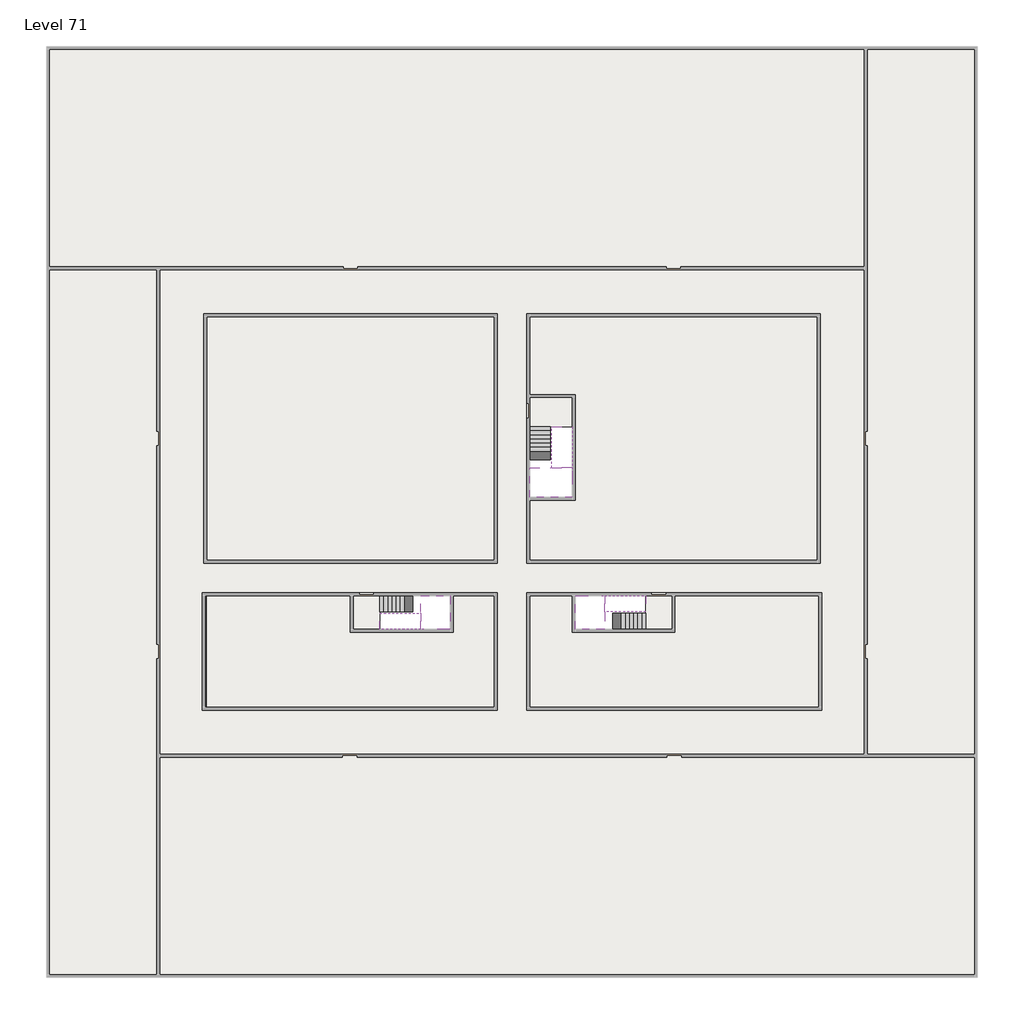
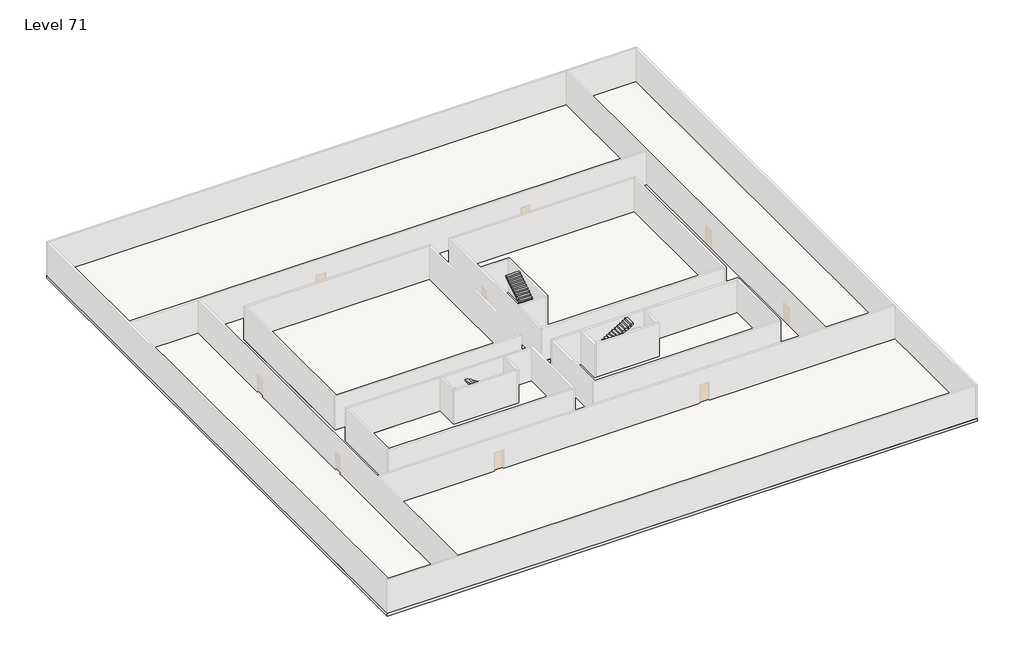
# One storey, part 2 of 2: 6 slabs, 6 stair flights.
"""IFC4 building model written with IfcOpenShell, lengths in millimetres."""

from ifc_helpers import new_model, si_unit, frame, origin, place, context, project, spatial, polyline, outline, extrude, faceted_brep, element, save

model = new_model("IFC4")

# Units and contexts
model_context = context("Model", 3, world=origin())
ifc_project = project(units=[si_unit("LENGTHUNIT", "METRE", prefix="MILLI")], contexts=[model_context])

# Site, building, storey
site = spatial("IfcSite", under=ifc_project)
building = spatial("IfcBuilding", under=site)
storey = spatial("IfcBuildingStorey", under=building, Name="Level 71", Elevation=266000.0)

# Slabs
placement = place(None, origin())
element("IfcSlab", 1, at=placement, inside=storey, context=model_context, shape_type="SweptSolid", body=[
    extrude(outline(polyline([(55890.1058784, -5518.09644), (55890.1058784, -68918.09644), (-7509.8941216, -68918.09644), (-7509.8941216, -5518.09644), (55890.1058784, -5518.09644)]), holes=[polyline([(23190.1058784, -23718.09644), (3190.1058784, -23718.09644), (3190.1058784, -40718.09644), (23190.1058784, -40718.09644), (23190.1058784, -23718.09644)]), polyline([(45190.1058784, -23718.09644), (25190.1058784, -23718.09644), (25190.1058784, -40718.09644), (45190.1058784, -40718.09644), (45190.1058784, -23718.09644)]), polyline([(23190.1058784, -50718.09644), (23190.1058784, -42718.09644), (3390.1058784, -42718.09644), (3390.1058784, -50718.09644), (23190.1058784, -50718.09644)]), polyline([(25190.1058784, -50718.09644), (45190.1058784, -50718.09644), (45190.1058784, -42718.09644), (25190.1058784, -42718.09644), (25190.1058784, -50718.09644)])]), frame((0.0, 0.0, 265700.0), z_axis=(0.0, 0.0, 1.0), x_axis=(1.0, 0.0, 0.0)), (0.0, 0.0, 1.0), 300.0),
])
element("IfcSlab", 2, at=placement, inside=storey, context=model_context, shape_type="Brep", body=[
    faceted_brep([(26790.1058784, -34218.09644, 267900.0), (25390.1058784, -34218.09644, 267900.0), (25390.1058784, -34297.4828763, 267900.0), (25390.1058784, -36218.09644, 267900.0), (28290.1058784, -36218.09644, 267900.0), (28290.1058784, -34418.7100038, 267900.0), (28290.1058784, -34218.09644, 267900.0), (26890.1058784, -34218.09644, 267900.0), (26790.1058784, -34218.09644, 267600.0), (26790.1058784, -34218.09644, 267551.0278478), (25390.1058784, -34218.09644, 267551.0278478), (25390.1058784, -34218.09644, 267727.2727273), (25390.1058784, -34297.4828763, 267600.0), (25390.1058784, -36218.09644, 267600.0), (28290.1058784, -36218.09644, 267600.0), (28290.1058784, -34418.7100038, 267600.0), (28290.1058784, -34218.09644, 267723.7551205), (26890.1058784, -34218.09644, 267723.7551205), (26890.1058784, -34218.09644, 267600.0), (26890.1058784, -34418.7100038, 267600.0), (26790.1058784, -34297.4828763, 267600.0)], [[[0, 1, 2, 3, 4, 5, 6, 7]], [[1, 0, 8, 9, 10, 11]], [[1, 11, 10, 12, 13, 3, 2]], [[4, 3, 13, 14]], [[4, 14, 15, 16, 6, 5]], [[7, 6, 16, 17]], [[0, 7, 17, 18, 8]], [[18, 19, 15, 14, 13, 12, 20, 8]], [[19, 18, 17]], [[20, 12, 10, 9]], [[8, 20, 9]], [[15, 19, 17, 16]]]),
])
element("IfcSlab", 3, at=placement, inside=storey, context=model_context, shape_type="SweptSolid", body=[
    extrude(outline(polyline([(22990.1058784, -23918.09644), (22990.1058784, -40518.09644), (3390.1058784, -40518.09644), (3390.1058784, -23918.09644), (22990.1058784, -23918.09644)])), frame((0.0, 0.0, 265700.0), z_axis=(0.0, 0.0, 1.0), x_axis=(1.0, 0.0, 0.0)), (0.0, 0.0, 1.0), 300.0),
    extrude(outline(polyline([(44990.1058784, -23918.09644), (44990.1058784, -40518.09644), (25390.1058784, -40518.09644), (25390.1058784, -36418.09644), (28490.1058784, -36418.09644), (28490.1058784, -29218.09644), (25390.1058784, -29218.09644), (25390.1058784, -23918.09644), (44990.1058784, -23918.09644)])), frame((0.0, 0.0, 265700.0), z_axis=(0.0, 0.0, 1.0), x_axis=(1.0, 0.0, 0.0)), (0.0, 0.0, 1.0), 300.0),
    extrude(outline(polyline([(22990.1058784, -42918.09644), (22990.1058784, -50518.09644), (3390.1058784, -50518.09644), (3390.1058784, -42918.09644), (13190.1058784, -42918.09644), (13190.1058784, -45418.09644), (20190.1058784, -45418.09644), (20190.1058784, -42918.09644), (22990.1058784, -42918.09644)])), frame((0.0, 0.0, 265700.0), z_axis=(0.0, 0.0, 1.0), x_axis=(1.0, 0.0, 0.0)), (0.0, 0.0, 1.0), 300.0),
    extrude(outline(polyline([(28290.1058784, -42918.09644), (28290.1058784, -45418.09644), (35290.1058784, -45418.09644), (35290.1058784, -42918.09644), (45090.1058784, -42918.09644), (45090.1058784, -50518.09644), (25390.1058784, -50518.09644), (25390.1058784, -42918.09644), (28290.1058784, -42918.09644)])), frame((0.0, 0.0, 265700.0), z_axis=(0.0, 0.0, 1.0), x_axis=(1.0, 0.0, 0.0)), (0.0, 0.0, 1.0), 300.0),
])
element("IfcSlab", 4, at=placement, inside=storey, context=model_context, shape_type="Brep", body=[
    faceted_brep([(30490.1058784, -45218.09644, 267900.0), (30490.1058784, -44118.09644, 267900.0), (30490.1058784, -44018.09644, 267900.0), (30490.1058784, -42918.09644, 267900.0), (30289.4923146, -42918.09644, 267900.0), (28490.1058784, -42918.09644, 267900.0), (28490.1058784, -45218.09644, 267900.0), (30410.7194421, -45218.09644, 267900.0), (30490.1058784, -45218.09644, 267727.2727273), (30490.1058784, -45218.09644, 267551.0278478), (30490.1058784, -44118.09644, 267551.0278478), (30490.1058784, -44118.09644, 267600.0), (30490.1058784, -44018.09644, 267600.0), (30490.1058784, -44018.09644, 267723.7551205), (30490.1058784, -42918.09644, 267723.7551205), (30289.4923146, -42918.09644, 267600.0), (28490.1058784, -42918.09644, 267600.0), (28490.1058784, -45218.09644, 267600.0), (30410.7194421, -45218.09644, 267600.0), (30289.4923146, -44018.09644, 267600.0), (30410.7194421, -44118.09644, 267600.0)], [[[0, 1, 2, 3, 4, 5, 6, 7]], [[1, 0, 8, 9, 10, 11]], [[2, 1, 11, 12, 13]], [[3, 2, 13, 14]], [[3, 14, 15, 16, 5, 4]], [[6, 5, 16, 17]], [[9, 8, 0, 7, 6, 17, 18]], [[19, 12, 11, 20, 18, 17, 16, 15]], [[12, 19, 13]], [[18, 20, 10, 9]], [[20, 11, 10]], [[19, 15, 14, 13]]]),
])
element("IfcSlab", 5, at=placement, inside=storey, context=model_context, shape_type="Brep", body=[
    faceted_brep([(17990.1058784, -42918.09644, 267900.0), (17990.1058784, -44018.09644, 267900.0), (17990.1058784, -44118.09644, 267900.0), (17990.1058784, -45218.09644, 267900.0), (18190.7194421, -45218.09644, 267900.0), (19990.1058784, -45218.09644, 267900.0), (19990.1058784, -42918.09644, 267900.0), (18069.4923146, -42918.09644, 267900.0), (17990.1058784, -42918.09644, 267727.2727273), (17990.1058784, -42918.09644, 267551.0278478), (17990.1058784, -44018.09644, 267551.0278478), (17990.1058784, -44018.09644, 267600.0), (17990.1058784, -44118.09644, 267600.0), (17990.1058784, -44118.09644, 267723.7551205), (17990.1058784, -45218.09644, 267723.7551205), (18190.7194421, -45218.09644, 267600.0), (19990.1058784, -45218.09644, 267600.0), (19990.1058784, -42918.09644, 267600.0), (18069.4923146, -42918.09644, 267600.0), (18190.7194421, -44118.09644, 267600.0), (18069.4923146, -44018.09644, 267600.0)], [[[0, 1, 2, 3, 4, 5, 6, 7]], [[1, 0, 8, 9, 10, 11]], [[2, 1, 11, 12, 13]], [[3, 2, 13, 14]], [[3, 14, 15, 16, 5, 4]], [[6, 5, 16, 17]], [[9, 8, 0, 7, 6, 17, 18]], [[19, 12, 11, 20, 18, 17, 16, 15]], [[12, 19, 13]], [[18, 20, 10, 9]], [[20, 11, 10]], [[19, 15, 14, 13]]]),
])
element("IfcSlab", 6, at=placement, inside=storey, context=model_context, shape_type="SweptSolid", body=[
    extrude(outline(polyline([(25190.1058784, -29418.09644), (28290.1058784, -29418.09644), (28290.1058784, -31418.09644), (25190.1058784, -31418.09644), (25190.1058784, -29418.09644)])), frame((0.0, 0.0, 265700.0), z_axis=(0.0, 0.0, 1.0), x_axis=(1.0, 0.0, 0.0)), (0.0, 0.0, 1.0), 300.0),
    extrude(outline(polyline([(15190.1058784, -45218.09644), (13390.1058784, -45218.09644), (13390.1058784, -42718.09644), (15190.1058784, -42718.09644), (15190.1058784, -45218.09644)])), frame((0.0, 0.0, 265700.0), z_axis=(0.0, 0.0, 1.0), x_axis=(1.0, 0.0, 0.0)), (0.0, 0.0, 1.0), 300.0),
    extrude(outline(polyline([(35090.1058784, -45218.09644), (33290.1058784, -45218.09644), (33290.1058784, -42718.09644), (35090.1058784, -42718.09644), (35090.1058784, -45218.09644)])), frame((0.0, 0.0, 265700.0), z_axis=(0.0, 0.0, 1.0), x_axis=(1.0, 0.0, 0.0)), (0.0, 0.0, 1.0), 300.0),
])

# Stair flights
element("IfcStairFlight", 7, at=placement, inside=storey, context=model_context, shape_type="Brep", body=[
    faceted_brep([(26790.1058784, -31698.09644, 266172.7272727), (26790.1058784, -31418.09644, 266172.7272727), (25390.1058784, -31418.09644, 266172.7272727), (25390.1058784, -31698.09644, 266172.7272727), (26790.1058784, -31698.09644, 266000.0), (26790.1058784, -31418.09644, 266000.0), (25390.1058784, -31418.09644, 266000.0), (25390.1058784, -31698.09644, 266000.0), (26790.1058784, -31978.09644, 266345.4545455), (26790.1058784, -31698.09644, 266345.4545455), (25390.1058784, -31698.09644, 266345.4545455), (25390.1058784, -31978.09644, 266345.4545455), (26790.1058784, -31978.09644, 266169.209666), (26790.1058784, -31703.7986657, 266000.0), (25390.1058784, -31703.7986657, 266000.0), (25390.1058784, -31978.09644, 266169.209666), (26790.1058784, -32258.09644, 266518.1818182), (26790.1058784, -31978.09644, 266518.1818182), (25390.1058784, -31978.09644, 266518.1818182), (25390.1058784, -32258.09644, 266518.1818182), (26790.1058784, -32258.09644, 266341.9369387), (25390.1058784, -32258.09644, 266341.9369387), (26790.1058784, -32538.09644, 266690.9090909), (26790.1058784, -32258.09644, 266690.9090909), (25390.1058784, -32258.09644, 266690.9090909), (25390.1058784, -32538.09644, 266690.9090909), (26790.1058784, -32538.09644, 266514.6642114), (25390.1058784, -32538.09644, 266514.6642114), (26790.1058784, -32818.09644, 266863.6363636), (26790.1058784, -32538.09644, 266863.6363636), (25390.1058784, -32538.09644, 266863.6363636), (25390.1058784, -32818.09644, 266863.6363636), (26790.1058784, -32818.09644, 266687.3914841), (25390.1058784, -32818.09644, 266687.3914841), (26790.1058784, -33098.09644, 267036.3636364), (26790.1058784, -32818.09644, 267036.3636364), (25390.1058784, -32818.09644, 267036.3636364), (25390.1058784, -33098.09644, 267036.3636364), (26790.1058784, -33098.09644, 266860.1187569), (25390.1058784, -33098.09644, 266860.1187569), (26790.1058784, -33378.09644, 267209.0909091), (26790.1058784, -33098.09644, 267209.0909091), (25390.1058784, -33098.09644, 267209.0909091), (25390.1058784, -33378.09644, 267209.0909091), (26790.1058784, -33378.09644, 267032.8460296), (25390.1058784, -33378.09644, 267032.8460296), (26790.1058784, -33658.09644, 267381.8181818), (26790.1058784, -33378.09644, 267381.8181818), (25390.1058784, -33378.09644, 267381.8181818), (25390.1058784, -33658.09644, 267381.8181818), (26790.1058784, -33658.09644, 267205.5733023), (25390.1058784, -33658.09644, 267205.5733023), (26790.1058784, -33938.09644, 267554.5454545), (26790.1058784, -33658.09644, 267554.5454545), (25390.1058784, -33658.09644, 267554.5454545), (25390.1058784, -33938.09644, 267554.5454545), (26790.1058784, -33938.09644, 267378.3005751), (25390.1058784, -33938.09644, 267378.3005751), (26790.1058784, -34218.09644, 267727.2727273), (26790.1058784, -33938.09644, 267727.2727273), (25390.1058784, -33938.09644, 267727.2727273), (25390.1058784, -34218.09644, 267727.2727273), (26790.1058784, -34218.09644, 267600.0), (26790.1058784, -34218.09644, 267551.0278478), (25390.1058784, -34218.09644, 267551.0278478)], [[[0, 1, 2, 3]], [[1, 0, 4, 5]], [[2, 1, 5, 6]], [[3, 2, 6, 7]], [[8, 9, 10, 11]], [[4, 0, 9, 8, 12, 13]], [[0, 3, 10, 9]], [[3, 7, 14, 15, 11, 10]], [[16, 17, 18, 19]], [[17, 16, 20, 12, 8]], [[8, 11, 18, 17]], [[19, 18, 11, 15, 21]], [[22, 23, 24, 25]], [[23, 22, 26, 20, 16]], [[16, 19, 24, 23]], [[25, 24, 19, 21, 27]], [[28, 29, 30, 31]], [[29, 28, 32, 26, 22]], [[22, 25, 30, 29]], [[31, 30, 25, 27, 33]], [[34, 35, 36, 37]], [[35, 34, 38, 32, 28]], [[28, 31, 36, 35]], [[37, 36, 31, 33, 39]], [[40, 41, 42, 43]], [[41, 40, 44, 38, 34]], [[34, 37, 42, 41]], [[43, 42, 37, 39, 45]], [[46, 47, 48, 49]], [[47, 46, 50, 44, 40]], [[40, 43, 48, 47]], [[49, 48, 43, 45, 51]], [[52, 53, 54, 55]], [[53, 52, 56, 50, 46]], [[46, 49, 54, 53]], [[55, 54, 49, 51, 57]], [[58, 59, 60, 61]], [[59, 58, 62, 63, 56, 52]], [[52, 55, 60, 59]], [[61, 60, 55, 57, 64]], [[58, 61, 64, 63, 62]], [[5, 4, 13, 14, 7, 6]], [[14, 13, 12, 20, 26, 32, 38, 44, 50, 56, 63, 64, 57, 51, 45, 39, 33, 27, 21, 15]]]),
])
element("IfcStairFlight", 8, at=placement, inside=storey, context=model_context, shape_type="Brep", body=[
    faceted_brep([(26890.1058784, -33938.09644, 268072.7272727), (26890.1058784, -34218.09644, 268072.7272727), (28290.1058784, -34218.09644, 268072.7272727), (28290.1058784, -33938.09644, 268072.7272727), (26890.1058784, -33938.09644, 267896.4823932), (26890.1058784, -34218.09644, 267723.7551205), (28290.1058784, -34218.09644, 267723.7551205), (28290.1058784, -34218.09644, 267900.0), (28290.1058784, -33938.09644, 267896.4823932), (26890.1058784, -33658.09644, 268245.4545455), (26890.1058784, -33938.09644, 268245.4545455), (28290.1058784, -33938.09644, 268245.4545455), (28290.1058784, -33658.09644, 268245.4545455), (26890.1058784, -33658.09644, 268069.209666), (28290.1058784, -33658.09644, 268069.209666), (26890.1058784, -33378.09644, 268418.1818182), (26890.1058784, -33658.09644, 268418.1818182), (28290.1058784, -33658.09644, 268418.1818182), (28290.1058784, -33378.09644, 268418.1818182), (26890.1058784, -33378.09644, 268241.9369387), (28290.1058784, -33378.09644, 268241.9369387), (26890.1058784, -33098.09644, 268590.9090909), (26890.1058784, -33378.09644, 268590.9090909), (28290.1058784, -33378.09644, 268590.9090909), (28290.1058784, -33098.09644, 268590.9090909), (26890.1058784, -33098.09644, 268414.6642114), (28290.1058784, -33098.09644, 268414.6642114), (26890.1058784, -32818.09644, 268763.6363636), (26890.1058784, -33098.09644, 268763.6363636), (28290.1058784, -33098.09644, 268763.6363636), (28290.1058784, -32818.09644, 268763.6363636), (26890.1058784, -32818.09644, 268587.3914841), (28290.1058784, -32818.09644, 268587.3914841), (26890.1058784, -32538.09644, 268936.3636364), (26890.1058784, -32818.09644, 268936.3636364), (28290.1058784, -32818.09644, 268936.3636364), (28290.1058784, -32538.09644, 268936.3636364), (26890.1058784, -32538.09644, 268760.1187569), (28290.1058784, -32538.09644, 268760.1187569), (26890.1058784, -32258.09644, 269109.0909091), (26890.1058784, -32538.09644, 269109.0909091), (28290.1058784, -32538.09644, 269109.0909091), (28290.1058784, -32258.09644, 269109.0909091), (26890.1058784, -32258.09644, 268932.8460296), (28290.1058784, -32258.09644, 268932.8460296), (26890.1058784, -31978.09644, 269281.8181818), (26890.1058784, -32258.09644, 269281.8181818), (28290.1058784, -32258.09644, 269281.8181818), (28290.1058784, -31978.09644, 269281.8181818), (26890.1058784, -31978.09644, 269105.5733023), (28290.1058784, -31978.09644, 269105.5733023), (26890.1058784, -31698.09644, 269454.5454545), (26890.1058784, -31978.09644, 269454.5454545), (28290.1058784, -31978.09644, 269454.5454545), (28290.1058784, -31698.09644, 269454.5454545), (26890.1058784, -31698.09644, 269278.3005751), (28290.1058784, -31698.09644, 269278.3005751), (26890.1058784, -31418.09644, 269627.2727273), (26890.1058784, -31698.09644, 269627.2727273), (28290.1058784, -31698.09644, 269627.2727273), (28290.1058784, -31418.09644, 269627.2727273), (26890.1058784, -31418.09644, 269451.0278478), (28290.1058784, -31418.09644, 269451.0278478)], [[[0, 1, 2, 3]], [[1, 0, 4, 5]], [[2, 1, 5, 6, 7]], [[3, 2, 7, 6, 8]], [[9, 10, 11, 12]], [[10, 9, 13, 4, 0]], [[11, 10, 0, 3]], [[12, 11, 3, 8, 14]], [[15, 16, 17, 18]], [[16, 15, 19, 13, 9]], [[17, 16, 9, 12]], [[18, 17, 12, 14, 20]], [[21, 22, 23, 24]], [[22, 21, 25, 19, 15]], [[23, 22, 15, 18]], [[24, 23, 18, 20, 26]], [[27, 28, 29, 30]], [[28, 27, 31, 25, 21]], [[29, 28, 21, 24]], [[30, 29, 24, 26, 32]], [[33, 34, 35, 36]], [[34, 33, 37, 31, 27]], [[35, 34, 27, 30]], [[36, 35, 30, 32, 38]], [[39, 40, 41, 42]], [[40, 39, 43, 37, 33]], [[41, 40, 33, 36]], [[42, 41, 36, 38, 44]], [[45, 46, 47, 48]], [[46, 45, 49, 43, 39]], [[47, 46, 39, 42]], [[48, 47, 42, 44, 50]], [[51, 52, 53, 54]], [[52, 51, 55, 49, 45]], [[53, 52, 45, 48]], [[54, 53, 48, 50, 56]], [[57, 58, 59, 60]], [[58, 57, 61, 55, 51]], [[59, 58, 51, 54]], [[60, 59, 54, 56, 62]], [[57, 60, 62, 61]], [[5, 4, 13, 19, 25, 31, 37, 43, 49, 55, 61, 62, 56, 50, 44, 38, 32, 26, 20, 14, 8, 6]]]),
])
element("IfcStairFlight", 9, at=placement, inside=storey, context=model_context, shape_type="Brep", body=[
    faceted_brep([(33010.1058784, -45218.09644, 266172.7272727), (33290.1058784, -45218.09644, 266172.7272727), (33290.1058784, -44118.09644, 266172.7272727), (33010.1058784, -44118.09644, 266172.7272727), (33010.1058784, -45218.09644, 266000.0), (33290.1058784, -45218.09644, 266000.0), (33290.1058784, -44118.09644, 266000.0), (33010.1058784, -44118.09644, 266000.0), (32730.1058784, -45218.09644, 266345.4545455), (33010.1058784, -45218.09644, 266345.4545455), (33010.1058784, -44118.09644, 266345.4545455), (32730.1058784, -44118.09644, 266345.4545455), (32730.1058784, -45218.09644, 266169.209666), (33004.4036527, -45218.09644, 266000.0), (33004.4036527, -44118.09644, 266000.0), (32730.1058784, -44118.09644, 266169.209666), (32450.1058784, -45218.09644, 266518.1818182), (32730.1058784, -45218.09644, 266518.1818182), (32730.1058784, -44118.09644, 266518.1818182), (32450.1058784, -44118.09644, 266518.1818182), (32450.1058784, -45218.09644, 266341.9369387), (32450.1058784, -44118.09644, 266341.9369387), (32170.1058784, -45218.09644, 266690.9090909), (32450.1058784, -45218.09644, 266690.9090909), (32450.1058784, -44118.09644, 266690.9090909), (32170.1058784, -44118.09644, 266690.9090909), (32170.1058784, -45218.09644, 266514.6642114), (32170.1058784, -44118.09644, 266514.6642114), (31890.1058784, -45218.09644, 266863.6363636), (32170.1058784, -45218.09644, 266863.6363636), (32170.1058784, -44118.09644, 266863.6363636), (31890.1058784, -44118.09644, 266863.6363636), (31890.1058784, -45218.09644, 266687.3914841), (31890.1058784, -44118.09644, 266687.3914841), (31610.1058784, -45218.09644, 267036.3636364), (31890.1058784, -45218.09644, 267036.3636364), (31890.1058784, -44118.09644, 267036.3636364), (31610.1058784, -44118.09644, 267036.3636364), (31610.1058784, -45218.09644, 266860.1187569), (31610.1058784, -44118.09644, 266860.1187569), (31330.1058784, -45218.09644, 267209.0909091), (31610.1058784, -45218.09644, 267209.0909091), (31610.1058784, -44118.09644, 267209.0909091), (31330.1058784, -44118.09644, 267209.0909091), (31330.1058784, -45218.09644, 267032.8460296), (31330.1058784, -44118.09644, 267032.8460296), (31050.1058784, -45218.09644, 267381.8181818), (31330.1058784, -45218.09644, 267381.8181818), (31330.1058784, -44118.09644, 267381.8181818), (31050.1058784, -44118.09644, 267381.8181818), (31050.1058784, -45218.09644, 267205.5733023), (31050.1058784, -44118.09644, 267205.5733023), (30770.1058784, -45218.09644, 267554.5454545), (31050.1058784, -45218.09644, 267554.5454545), (31050.1058784, -44118.09644, 267554.5454545), (30770.1058784, -44118.09644, 267554.5454545), (30770.1058784, -45218.09644, 267378.3005751), (30770.1058784, -44118.09644, 267378.3005751), (30490.1058784, -45218.09644, 267727.2727273), (30770.1058784, -45218.09644, 267727.2727273), (30770.1058784, -44118.09644, 267727.2727273), (30490.1058784, -44118.09644, 267727.2727273), (30490.1058784, -45218.09644, 267551.0278478), (30490.1058784, -44118.09644, 267551.0278478), (30490.1058784, -44118.09644, 267600.0)], [[[0, 1, 2, 3]], [[1, 0, 4, 5]], [[2, 1, 5, 6]], [[3, 2, 6, 7]], [[8, 9, 10, 11]], [[4, 0, 9, 8, 12, 13]], [[0, 3, 10, 9]], [[3, 7, 14, 15, 11, 10]], [[16, 17, 18, 19]], [[17, 16, 20, 12, 8]], [[8, 11, 18, 17]], [[19, 18, 11, 15, 21]], [[22, 23, 24, 25]], [[23, 22, 26, 20, 16]], [[16, 19, 24, 23]], [[25, 24, 19, 21, 27]], [[28, 29, 30, 31]], [[29, 28, 32, 26, 22]], [[22, 25, 30, 29]], [[31, 30, 25, 27, 33]], [[34, 35, 36, 37]], [[35, 34, 38, 32, 28]], [[28, 31, 36, 35]], [[37, 36, 31, 33, 39]], [[40, 41, 42, 43]], [[41, 40, 44, 38, 34]], [[34, 37, 42, 41]], [[43, 42, 37, 39, 45]], [[46, 47, 48, 49]], [[47, 46, 50, 44, 40]], [[40, 43, 48, 47]], [[49, 48, 43, 45, 51]], [[52, 53, 54, 55]], [[53, 52, 56, 50, 46]], [[46, 49, 54, 53]], [[55, 54, 49, 51, 57]], [[58, 59, 60, 61]], [[59, 58, 62, 56, 52]], [[52, 55, 60, 59]], [[61, 60, 55, 57, 63, 64]], [[58, 61, 64, 63, 62]], [[5, 4, 13, 14, 7, 6]], [[14, 13, 12, 20, 26, 32, 38, 44, 50, 56, 62, 63, 57, 51, 45, 39, 33, 27, 21, 15]]]),
])
element("IfcStairFlight", 10, at=placement, inside=storey, context=model_context, shape_type="Brep", body=[
    faceted_brep([(30770.1058784, -42918.09644, 268072.7272727), (30490.1058784, -42918.09644, 268072.7272727), (30490.1058784, -44018.09644, 268072.7272727), (30770.1058784, -44018.09644, 268072.7272727), (30770.1058784, -42918.09644, 267896.4823932), (30490.1058784, -42918.09644, 267723.7551205), (30490.1058784, -42918.09644, 267900.0), (30490.1058784, -44018.09644, 267723.7551205), (30770.1058784, -44018.09644, 267896.4823932), (31050.1058784, -42918.09644, 268245.4545455), (30770.1058784, -42918.09644, 268245.4545455), (30770.1058784, -44018.09644, 268245.4545455), (31050.1058784, -44018.09644, 268245.4545455), (31050.1058784, -42918.09644, 268069.209666), (31050.1058784, -44018.09644, 268069.209666), (31330.1058784, -42918.09644, 268418.1818182), (31050.1058784, -42918.09644, 268418.1818182), (31050.1058784, -44018.09644, 268418.1818182), (31330.1058784, -44018.09644, 268418.1818182), (31330.1058784, -42918.09644, 268241.9369387), (31330.1058784, -44018.09644, 268241.9369387), (31610.1058784, -42918.09644, 268590.9090909), (31330.1058784, -42918.09644, 268590.9090909), (31330.1058784, -44018.09644, 268590.9090909), (31610.1058784, -44018.09644, 268590.9090909), (31610.1058784, -42918.09644, 268414.6642114), (31610.1058784, -44018.09644, 268414.6642114), (31890.1058784, -42918.09644, 268763.6363636), (31610.1058784, -42918.09644, 268763.6363636), (31610.1058784, -44018.09644, 268763.6363636), (31890.1058784, -44018.09644, 268763.6363636), (31890.1058784, -42918.09644, 268587.3914841), (31890.1058784, -44018.09644, 268587.3914841), (32170.1058784, -42918.09644, 268936.3636364), (31890.1058784, -42918.09644, 268936.3636364), (31890.1058784, -44018.09644, 268936.3636364), (32170.1058784, -44018.09644, 268936.3636364), (32170.1058784, -42918.09644, 268760.1187569), (32170.1058784, -44018.09644, 268760.1187569), (32450.1058784, -42918.09644, 269109.0909091), (32170.1058784, -42918.09644, 269109.0909091), (32170.1058784, -44018.09644, 269109.0909091), (32450.1058784, -44018.09644, 269109.0909091), (32450.1058784, -42918.09644, 268932.8460296), (32450.1058784, -44018.09644, 268932.8460296), (32730.1058784, -42918.09644, 269281.8181818), (32450.1058784, -42918.09644, 269281.8181818), (32450.1058784, -44018.09644, 269281.8181818), (32730.1058784, -44018.09644, 269281.8181818), (32730.1058784, -42918.09644, 269105.5733023), (32730.1058784, -44018.09644, 269105.5733023), (33010.1058784, -42918.09644, 269454.5454545), (32730.1058784, -42918.09644, 269454.5454545), (32730.1058784, -44018.09644, 269454.5454545), (33010.1058784, -44018.09644, 269454.5454545), (33010.1058784, -42918.09644, 269278.3005751), (33010.1058784, -44018.09644, 269278.3005751), (33290.1058784, -42918.09644, 269627.2727273), (33010.1058784, -42918.09644, 269627.2727273), (33010.1058784, -44018.09644, 269627.2727273), (33290.1058784, -44018.09644, 269627.2727273), (33290.1058784, -42918.09644, 269451.0278478), (33290.1058784, -44018.09644, 269451.0278478)], [[[0, 1, 2, 3]], [[1, 0, 4, 5, 6]], [[2, 1, 6, 5, 7]], [[3, 2, 7, 8]], [[9, 10, 11, 12]], [[10, 9, 13, 4, 0]], [[11, 10, 0, 3]], [[12, 11, 3, 8, 14]], [[15, 16, 17, 18]], [[16, 15, 19, 13, 9]], [[17, 16, 9, 12]], [[18, 17, 12, 14, 20]], [[21, 22, 23, 24]], [[22, 21, 25, 19, 15]], [[23, 22, 15, 18]], [[24, 23, 18, 20, 26]], [[27, 28, 29, 30]], [[28, 27, 31, 25, 21]], [[29, 28, 21, 24]], [[30, 29, 24, 26, 32]], [[33, 34, 35, 36]], [[34, 33, 37, 31, 27]], [[35, 34, 27, 30]], [[36, 35, 30, 32, 38]], [[39, 40, 41, 42]], [[40, 39, 43, 37, 33]], [[41, 40, 33, 36]], [[42, 41, 36, 38, 44]], [[45, 46, 47, 48]], [[46, 45, 49, 43, 39]], [[47, 46, 39, 42]], [[48, 47, 42, 44, 50]], [[51, 52, 53, 54]], [[52, 51, 55, 49, 45]], [[53, 52, 45, 48]], [[54, 53, 48, 50, 56]], [[57, 58, 59, 60]], [[58, 57, 61, 55, 51]], [[59, 58, 51, 54]], [[60, 59, 54, 56, 62]], [[57, 60, 62, 61]], [[5, 4, 13, 19, 25, 31, 37, 43, 49, 55, 61, 62, 56, 50, 44, 38, 32, 26, 20, 14, 8, 7]]]),
])
element("IfcStairFlight", 11, at=placement, inside=storey, context=model_context, shape_type="Brep", body=[
    faceted_brep([(15470.1058784, -42918.09644, 266172.7272727), (15190.1058784, -42918.09644, 266172.7272727), (15190.1058784, -44018.09644, 266172.7272727), (15470.1058784, -44018.09644, 266172.7272727), (15470.1058784, -42918.09644, 266000.0), (15190.1058784, -42918.09644, 266000.0), (15190.1058784, -44018.09644, 266000.0), (15470.1058784, -44018.09644, 266000.0), (15750.1058784, -42918.09644, 266345.4545455), (15470.1058784, -42918.09644, 266345.4545455), (15470.1058784, -44018.09644, 266345.4545455), (15750.1058784, -44018.09644, 266345.4545455), (15750.1058784, -42918.09644, 266169.209666), (15475.8081041, -42918.09644, 266000.0), (15475.8081041, -44018.09644, 266000.0), (15750.1058784, -44018.09644, 266169.209666), (16030.1058784, -42918.09644, 266518.1818182), (15750.1058784, -42918.09644, 266518.1818182), (15750.1058784, -44018.09644, 266518.1818182), (16030.1058784, -44018.09644, 266518.1818182), (16030.1058784, -42918.09644, 266341.9369387), (16030.1058784, -44018.09644, 266341.9369387), (16310.1058784, -42918.09644, 266690.9090909), (16030.1058784, -42918.09644, 266690.9090909), (16030.1058784, -44018.09644, 266690.9090909), (16310.1058784, -44018.09644, 266690.9090909), (16310.1058784, -42918.09644, 266514.6642114), (16310.1058784, -44018.09644, 266514.6642114), (16590.1058784, -42918.09644, 266863.6363636), (16310.1058784, -42918.09644, 266863.6363636), (16310.1058784, -44018.09644, 266863.6363636), (16590.1058784, -44018.09644, 266863.6363636), (16590.1058784, -42918.09644, 266687.3914841), (16590.1058784, -44018.09644, 266687.3914841), (16870.1058784, -42918.09644, 267036.3636364), (16590.1058784, -42918.09644, 267036.3636364), (16590.1058784, -44018.09644, 267036.3636364), (16870.1058784, -44018.09644, 267036.3636364), (16870.1058784, -42918.09644, 266860.1187569), (16870.1058784, -44018.09644, 266860.1187569), (17150.1058784, -42918.09644, 267209.0909091), (16870.1058784, -42918.09644, 267209.0909091), (16870.1058784, -44018.09644, 267209.0909091), (17150.1058784, -44018.09644, 267209.0909091), (17150.1058784, -42918.09644, 267032.8460296), (17150.1058784, -44018.09644, 267032.8460296), (17430.1058784, -42918.09644, 267381.8181818), (17150.1058784, -42918.09644, 267381.8181818), (17150.1058784, -44018.09644, 267381.8181818), (17430.1058784, -44018.09644, 267381.8181818), (17430.1058784, -42918.09644, 267205.5733023), (17430.1058784, -44018.09644, 267205.5733023), (17710.1058784, -42918.09644, 267554.5454545), (17430.1058784, -42918.09644, 267554.5454545), (17430.1058784, -44018.09644, 267554.5454545), (17710.1058784, -44018.09644, 267554.5454545), (17710.1058784, -42918.09644, 267378.3005751), (17710.1058784, -44018.09644, 267378.3005751), (17990.1058784, -42918.09644, 267727.2727273), (17710.1058784, -42918.09644, 267727.2727273), (17710.1058784, -44018.09644, 267727.2727273), (17990.1058784, -44018.09644, 267727.2727273), (17990.1058784, -42918.09644, 267551.0278478), (17990.1058784, -44018.09644, 267551.0278478), (17990.1058784, -44018.09644, 267600.0)], [[[0, 1, 2, 3]], [[1, 0, 4, 5]], [[2, 1, 5, 6]], [[3, 2, 6, 7]], [[8, 9, 10, 11]], [[4, 0, 9, 8, 12, 13]], [[0, 3, 10, 9]], [[3, 7, 14, 15, 11, 10]], [[16, 17, 18, 19]], [[17, 16, 20, 12, 8]], [[8, 11, 18, 17]], [[19, 18, 11, 15, 21]], [[22, 23, 24, 25]], [[23, 22, 26, 20, 16]], [[16, 19, 24, 23]], [[25, 24, 19, 21, 27]], [[28, 29, 30, 31]], [[29, 28, 32, 26, 22]], [[22, 25, 30, 29]], [[31, 30, 25, 27, 33]], [[34, 35, 36, 37]], [[35, 34, 38, 32, 28]], [[28, 31, 36, 35]], [[37, 36, 31, 33, 39]], [[40, 41, 42, 43]], [[41, 40, 44, 38, 34]], [[34, 37, 42, 41]], [[43, 42, 37, 39, 45]], [[46, 47, 48, 49]], [[47, 46, 50, 44, 40]], [[40, 43, 48, 47]], [[49, 48, 43, 45, 51]], [[52, 53, 54, 55]], [[53, 52, 56, 50, 46]], [[46, 49, 54, 53]], [[55, 54, 49, 51, 57]], [[58, 59, 60, 61]], [[59, 58, 62, 56, 52]], [[52, 55, 60, 59]], [[61, 60, 55, 57, 63, 64]], [[58, 61, 64, 63, 62]], [[5, 4, 13, 14, 7, 6]], [[14, 13, 12, 20, 26, 32, 38, 44, 50, 56, 62, 63, 57, 51, 45, 39, 33, 27, 21, 15]]]),
])
element("IfcStairFlight", 12, at=placement, inside=storey, context=model_context, shape_type="Brep", body=[
    faceted_brep([(17710.1058784, -45218.09644, 268072.7272727), (17990.1058784, -45218.09644, 268072.7272727), (17990.1058784, -44118.09644, 268072.7272727), (17710.1058784, -44118.09644, 268072.7272727), (17710.1058784, -45218.09644, 267896.4823932), (17990.1058784, -45218.09644, 267723.7551205), (17990.1058784, -45218.09644, 267900.0), (17990.1058784, -44118.09644, 267723.7551205), (17710.1058784, -44118.09644, 267896.4823932), (17430.1058784, -45218.09644, 268245.4545455), (17710.1058784, -45218.09644, 268245.4545455), (17710.1058784, -44118.09644, 268245.4545455), (17430.1058784, -44118.09644, 268245.4545455), (17430.1058784, -45218.09644, 268069.209666), (17430.1058784, -44118.09644, 268069.209666), (17150.1058784, -45218.09644, 268418.1818182), (17430.1058784, -45218.09644, 268418.1818182), (17430.1058784, -44118.09644, 268418.1818182), (17150.1058784, -44118.09644, 268418.1818182), (17150.1058784, -45218.09644, 268241.9369387), (17150.1058784, -44118.09644, 268241.9369387), (16870.1058784, -45218.09644, 268590.9090909), (17150.1058784, -45218.09644, 268590.9090909), (17150.1058784, -44118.09644, 268590.9090909), (16870.1058784, -44118.09644, 268590.9090909), (16870.1058784, -45218.09644, 268414.6642114), (16870.1058784, -44118.09644, 268414.6642114), (16590.1058784, -45218.09644, 268763.6363636), (16870.1058784, -45218.09644, 268763.6363636), (16870.1058784, -44118.09644, 268763.6363636), (16590.1058784, -44118.09644, 268763.6363636), (16590.1058784, -45218.09644, 268587.3914841), (16590.1058784, -44118.09644, 268587.3914841), (16310.1058784, -45218.09644, 268936.3636364), (16590.1058784, -45218.09644, 268936.3636364), (16590.1058784, -44118.09644, 268936.3636364), (16310.1058784, -44118.09644, 268936.3636364), (16310.1058784, -45218.09644, 268760.1187569), (16310.1058784, -44118.09644, 268760.1187569), (16030.1058784, -45218.09644, 269109.0909091), (16310.1058784, -45218.09644, 269109.0909091), (16310.1058784, -44118.09644, 269109.0909091), (16030.1058784, -44118.09644, 269109.0909091), (16030.1058784, -45218.09644, 268932.8460296), (16030.1058784, -44118.09644, 268932.8460296), (15750.1058784, -45218.09644, 269281.8181818), (16030.1058784, -45218.09644, 269281.8181818), (16030.1058784, -44118.09644, 269281.8181818), (15750.1058784, -44118.09644, 269281.8181818), (15750.1058784, -45218.09644, 269105.5733023), (15750.1058784, -44118.09644, 269105.5733023), (15470.1058784, -45218.09644, 269454.5454545), (15750.1058784, -45218.09644, 269454.5454545), (15750.1058784, -44118.09644, 269454.5454545), (15470.1058784, -44118.09644, 269454.5454545), (15470.1058784, -45218.09644, 269278.3005751), (15470.1058784, -44118.09644, 269278.3005751), (15190.1058784, -45218.09644, 269627.2727273), (15470.1058784, -45218.09644, 269627.2727273), (15470.1058784, -44118.09644, 269627.2727273), (15190.1058784, -44118.09644, 269627.2727273), (15190.1058784, -45218.09644, 269451.0278478), (15190.1058784, -44118.09644, 269451.0278478)], [[[0, 1, 2, 3]], [[1, 0, 4, 5, 6]], [[2, 1, 6, 5, 7]], [[3, 2, 7, 8]], [[9, 10, 11, 12]], [[10, 9, 13, 4, 0]], [[11, 10, 0, 3]], [[12, 11, 3, 8, 14]], [[15, 16, 17, 18]], [[16, 15, 19, 13, 9]], [[17, 16, 9, 12]], [[18, 17, 12, 14, 20]], [[21, 22, 23, 24]], [[22, 21, 25, 19, 15]], [[23, 22, 15, 18]], [[24, 23, 18, 20, 26]], [[27, 28, 29, 30]], [[28, 27, 31, 25, 21]], [[29, 28, 21, 24]], [[30, 29, 24, 26, 32]], [[33, 34, 35, 36]], [[34, 33, 37, 31, 27]], [[35, 34, 27, 30]], [[36, 35, 30, 32, 38]], [[39, 40, 41, 42]], [[40, 39, 43, 37, 33]], [[41, 40, 33, 36]], [[42, 41, 36, 38, 44]], [[45, 46, 47, 48]], [[46, 45, 49, 43, 39]], [[47, 46, 39, 42]], [[48, 47, 42, 44, 50]], [[51, 52, 53, 54]], [[52, 51, 55, 49, 45]], [[53, 52, 45, 48]], [[54, 53, 48, 50, 56]], [[57, 58, 59, 60]], [[58, 57, 61, 55, 51]], [[59, 58, 51, 54]], [[60, 59, 54, 56, 62]], [[57, 60, 62, 61]], [[5, 4, 13, 19, 25, 31, 37, 43, 49, 55, 61, 62, 56, 50, 44, 38, 32, 26, 20, 14, 8, 7]]]),
])

save(model, "model.ifc")
